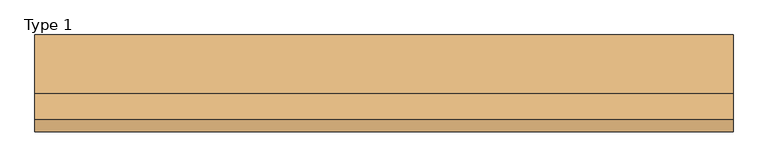
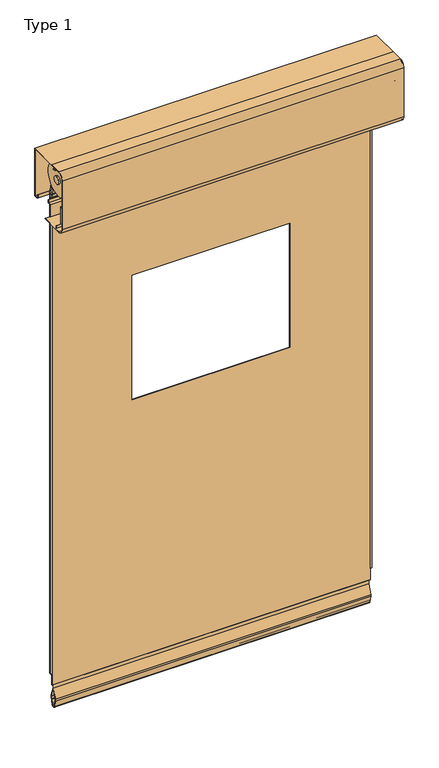
"""IFC4 building model written with IfcOpenShell, lengths in millimetres: door geometry, Type 1."""

from ifc_helpers import new_model, si_unit, point, frame, frame_2d, origin, place, context, project, spatial, polyline, circle_curve, trimmed, segment, composite_curve, outline, extrude, faceted_brep, source, transform, mapped, element, save
from ifc_brep_helpers import plane_surface, cylinder_surface, revolved_surface, advanced_brep


def type_1_fb73d0c5(model_context):
    return source(origin(), model_context, "Body", "SolidModel", [
        advanced_brep(
        [(647.7, -194.5, 2001.0), (647.7, -216.5, 2023.0), (647.7, -216.5, 2025.0), (647.7, -214.2, 2025.0), (647.7, -214.2, 2216.0), (647.7, -216.5, 2216.0), (647.7, -216.5, 2218.7), (647.7, -200.8030296, 2240.0), (647.7, -165.0, 2240.0), (647.7, -165.0, 2237.7), (647.7, -40.8, 2237.7), (647.7, -40.8, 2054.3), (647.7, -52.5, 2054.3), (647.7, -52.5, 2052.0), (647.7, -91.5, 2052.0), (647.7, -91.5, 2001.0), (647.7, -108.3, 2001.0), (647.7, -108.3, 2003.3), (647.7, -171.9, 2003.3), (647.7, -171.9, 2001.0), (647.7, -132.7, 2186.7), (647.7, -132.7, 2195.7), (647.7, -167.3410162, 2126.7), (647.7, -167.3410162, 2135.7), (647.7, -98.0589838, 2126.7), (647.7, -98.0589838, 2135.7), (650.0, -194.5, 2001.0), (650.0, -91.5, 2001.0), (650.0, -91.5, 2052.0), (650.0, -38.5, 2052.0), (650.0, -38.5, 2240.0), (650.0, -200.8030296, 2240.0), (650.0, -216.5, 2218.7), (650.0, -216.5, 2023.0), (650.0, -132.7, 2195.7), (650.0, -132.7, 2186.7), (650.0, -167.3410162, 2135.7), (650.0, -167.3410162, 2126.7), (650.0, -98.0589838, 2135.7), (650.0, -98.0589838, 2126.7), (629.7, -171.9, 2001.0), (629.7, -108.3, 2001.0), (629.7, -52.5, 2052.0), (629.7, -40.8, 2052.0), (584.0, -40.8, 2052.0), (584.0, -38.5, 2052.0), (584.0, -38.5, 2240.0), (616.7965975, -38.5, 2087.0750697), (623.2586937, -38.5, 2087.0737385), (623.2586937, -38.5, 2090.9721114), (616.7965975, -38.5, 2090.8962284), (616.7965975, -38.5, 2217.0561937), (623.2586937, -38.5, 2217.0548626), (623.2586937, -38.5, 2220.9532354), (616.7965975, -38.5, 2220.8773524), (584.0, -40.8, 2240.0), (629.7, -40.8, 2240.0), (629.7, -165.0, 2240.0), (629.7, -216.5, 2216.0), (629.7, -216.5, 2025.0), (629.7, -40.8, 2054.3), (629.7, -40.8, 2237.7), (623.2586937, -40.8, 2087.0737385), (616.7965975, -40.8, 2087.0750697), (616.7965975, -40.8, 2090.8962284), (623.2582481, -40.8, 2090.9721114), (623.2586937, -40.8, 2217.0548626), (616.7965975, -40.8, 2217.0561937), (616.7965975, -40.8, 2220.8773524), (623.2582481, -40.8, 2220.9532354), (629.7, -171.9, 2003.3), (629.7, -108.3, 2003.3), (629.7, -214.2, 2025.0), (629.7, -214.2, 2216.0), (629.7, -165.0, 2237.7), (629.7, -52.5, 2054.3)],
        [
            (0, 1, circle_curve(frame((647.7, -194.5, 2023.0), z_axis=(-1.0, 0.0, 0.0), x_axis=(0.0, 0.0, -1.0)), 22.0)),
            (1, 2),
            (2, 3),
            (3, 4),
            (4, 5),
            (5, 6),
            (6, 7, circle_curve(frame((647.7, -194.2, 2218.7), z_axis=(-1.0, 0.0, 0.0), x_axis=(0.0, 0.0, -1.0)), 22.3)),
            (7, 8),
            (8, 9),
            (9, 10),
            (10, 11),
            (11, 12),
            (12, 13),
            (13, 14),
            (14, 15),
            (15, 16),
            (16, 17),
            (17, 18),
            (18, 19),
            (19, 0),
            (20, 21, circle_curve(frame((647.7, -132.7, 2191.2), z_axis=(1.0, 0.0, 0.0), x_axis=(0.0, 0.0, -1.0)), 4.5)),
            (21, 20, circle_curve(frame((647.7, -132.7, 2191.2), z_axis=(1.0, 0.0, 0.0), x_axis=(0.0, 0.0, -1.0)), 4.5)),
            (22, 23, circle_curve(frame((647.7, -167.3410162, 2131.2), z_axis=(1.0, 0.0, 0.0), x_axis=(0.0, 0.0, -1.0)), 4.5)),
            (23, 22, circle_curve(frame((647.7, -167.3410162, 2131.2), z_axis=(1.0, 0.0, 0.0), x_axis=(0.0, 0.0, -1.0)), 4.5)),
            (24, 25, circle_curve(frame((647.7, -98.0589838, 2131.2), z_axis=(1.0, 0.0, 0.0), x_axis=(0.0, 0.0, -1.0)), 4.5)),
            (25, 24, circle_curve(frame((647.7, -98.0589838, 2131.2), z_axis=(1.0, 0.0, 0.0), x_axis=(0.0, 0.0, -1.0)), 4.5)),
            (26, 27),
            (27, 28),
            (28, 29),
            (29, 30),
            (30, 31),
            (31, 32, circle_curve(frame((650.0, -194.2, 2218.7), z_axis=(1.0, 0.0, 0.0), x_axis=(0.0, 0.0, -1.0)), 22.3)),
            (32, 33),
            (33, 26, circle_curve(frame((650.0, -194.5, 2023.0), z_axis=(1.0, 0.0, 0.0), x_axis=(0.0, 0.0, -1.0)), 22.0)),
            (34, 35, circle_curve(frame((650.0, -132.7, 2191.2), z_axis=(-1.0, 0.0, 0.0), x_axis=(0.0, 0.0, -1.0)), 4.5)),
            (35, 34, circle_curve(frame((650.0, -132.7, 2191.2), z_axis=(-1.0, 0.0, 0.0), x_axis=(0.0, 0.0, -1.0)), 4.5)),
            (36, 37, circle_curve(frame((650.0, -167.3410162, 2131.2), z_axis=(-1.0, 0.0, 0.0), x_axis=(0.0, 0.0, -1.0)), 4.5)),
            (37, 36, circle_curve(frame((650.0, -167.3410162, 2131.2), z_axis=(-1.0, 0.0, 0.0), x_axis=(0.0, 0.0, -1.0)), 4.5)),
            (38, 39, circle_curve(frame((650.0, -98.0589838, 2131.2), z_axis=(-1.0, 0.0, 0.0), x_axis=(0.0, 0.0, -1.0)), 4.5)),
            (39, 38, circle_curve(frame((650.0, -98.0589838, 2131.2), z_axis=(-1.0, 0.0, 0.0), x_axis=(0.0, 0.0, -1.0)), 4.5)),
            (26, 0),
            (19, 40),
            (40, 41),
            (41, 16),
            (15, 27),
            (14, 28),
            (13, 42),
            (42, 43),
            (43, 44),
            (44, 45),
            (45, 29),
            (45, 46),
            (46, 30),
            (47, 48, circle_curve(frame((620.0260861, -38.5, 2079.5035949), z_axis=(0.0, -1.0, 0.0), x_axis=(-0.3923351593881135, 0.0, 0.9198223321424109)), 8.2314535)),
            (48, 49),
            (49, 50, circle_curve(frame((620.0269772, -38.5, 2090.9721114), z_axis=(0.0, -1.0, 0.0), x_axis=(1.0, 0.0, 0.0)), 3.2312709)),
            (50, 47),
            (51, 52, circle_curve(frame((620.0260861, -38.5, 2209.484719), z_axis=(0.0, -1.0, 0.0), x_axis=(-0.3923351593880876, 0.0, 0.919822332142422)), 8.2314535)),
            (52, 53),
            (53, 54, circle_curve(frame((620.0269772, -38.5, 2220.9532354), z_axis=(0.0, -1.0, 0.0), x_axis=(1.0, 0.0, 0.0)), 3.2312709)),
            (54, 51),
            (7, 31),
            (46, 55),
            (55, 56),
            (56, 57),
            (57, 8),
            (32, 6),
            (5, 58),
            (58, 59),
            (59, 2),
            (1, 33),
            (44, 55),
            (43, 60),
            (60, 11),
            (10, 61),
            (61, 56),
            (62, 63, circle_curve(frame((620.0260861, -40.8, 2079.5035949), z_axis=(0.0, 1.0, 0.0), x_axis=(-0.3923351593881135, 0.0, 0.9198223321424109)), 8.2314535)),
            (63, 64),
            (64, 65, circle_curve(frame((620.0269772, -40.8, 2090.9721114), z_axis=(0.0, 1.0, 0.0), x_axis=(1.0, 0.0, 0.0)), 3.2312709)),
            (65, 62),
            (66, 67, circle_curve(frame((620.0260861, -40.8, 2209.484719), z_axis=(0.0, 1.0, 0.0), x_axis=(-0.3923351593880876, 0.0, 0.919822332142422)), 8.2314535)),
            (67, 68),
            (68, 69, circle_curve(frame((620.0269772, -40.8, 2220.9532354), z_axis=(0.0, 1.0, 0.0), x_axis=(1.0, 0.0, 0.0)), 3.2312709)),
            (69, 66),
            (40, 70),
            (70, 71),
            (71, 41),
            (71, 17),
            (70, 18),
            (72, 59),
            (58, 73),
            (73, 72),
            (73, 4),
            (3, 72),
            (74, 57),
            (61, 74),
            (74, 9),
            (47, 63),
            (62, 48),
            (50, 64),
            (49, 65),
            (51, 67),
            (66, 52),
            (54, 68),
            (53, 69),
            (42, 75),
            (75, 60),
            (75, 12),
            (20, 35),
            (34, 21),
            (22, 37),
            (36, 23),
            (24, 39),
            (38, 25),
        ],
        [
            plane_surface(frame((647.7, 266.3, 2001.0), z_axis=(-1.0, 0.0, 0.0), x_axis=(0.0, -1.0, 0.0))),
            plane_surface(frame((650.0, 266.3, 2001.0), z_axis=(1.0, 0.0, 0.0), x_axis=(0.0, 1.0, 0.0))),
            plane_surface(frame((650.0, -194.5, 2001.0), z_axis=(0.0, 0.0, -1.0), x_axis=(-1.0, 0.0, 0.0))),
            plane_surface(frame((650.0, -91.5, 2001.0), z_axis=(0.0, 1.0, 0.0), x_axis=(-1.0, 0.0, 0.0))),
            plane_surface(frame((650.0, -91.5, 2052.0), z_axis=(0.0, 0.0, -1.0), x_axis=(-1.0, 0.0, 0.0))),
            plane_surface(frame((650.0, -38.5, 2052.0), z_axis=(0.0, 1.0, 0.0), x_axis=(-1.0, 0.0, 0.0))),
            plane_surface(frame((650.0, -38.5, 2240.0), z_axis=(0.0, 0.0, 1.0), x_axis=(-1.0, 0.0, 0.0))),
            plane_surface(frame((650.0, -216.5, 2218.7), z_axis=(0.0, -1.0, 0.0), x_axis=(-1.0, 0.0, 0.0))),
            cylinder_surface(frame((647.7, -194.5, 2023.0), z_axis=(1.0, 0.0, 0.0), x_axis=(0.0, 0.0, -1.0)), 22.0),
            plane_surface(frame((584.0, -40.8, 3465.2630168), z_axis=(-1.0, 0.0, 0.0), x_axis=(0.0, 0.0, 1.0))),
            plane_surface(frame((650.0, -40.8, 2240.0), z_axis=(0.0, -1.0, 0.0), x_axis=(-1.0, 0.0, 0.0))),
            plane_surface(frame((629.7, -108.3, 2120.9011398), z_axis=(-1.0, 0.0, 0.0), x_axis=(0.0, 0.0, -1.0))),
            plane_surface(frame((647.7, -108.3, 2001.0), z_axis=(0.0, 1.0, 0.0), x_axis=(-1.0, 0.0, 0.0))),
            plane_surface(frame((647.7, -108.3, 2003.3), z_axis=(0.0, 0.0, 1.0), x_axis=(-1.0, 0.0, 0.0))),
            plane_surface(frame((647.7, -171.9, 2003.3), z_axis=(0.0, -1.0, 0.0), x_axis=(-1.0, 0.0, 0.0))),
            plane_surface(frame((629.7, -214.2, 2434.7159675), z_axis=(-1.0, 0.0, 0.0), x_axis=(0.0, 0.0, -1.0))),
            plane_surface(frame((647.7, -214.2, 2025.0), z_axis=(0.0, 1.0, 0.0), x_axis=(-1.0, 0.0, 0.0))),
            plane_surface(frame((647.7, -214.2, 2216.0), z_axis=(0.0, 0.0, 1.0), x_axis=(-1.0, 0.0, 0.0))),
            plane_surface(frame((647.7, -216.5, 2025.0), z_axis=(0.0, 0.0, -1.0), x_axis=(-1.0, 0.0, 0.0))),
            plane_surface(frame((629.7, -38.5, 3465.2630168), z_axis=(-1.0, 0.0, 0.0), x_axis=(0.0, 0.0, -1.0))),
            plane_surface(frame((647.7, -165.0, 2240.0), z_axis=(0.0, -1.0, 0.0), x_axis=(-1.0, 0.0, 0.0))),
            plane_surface(frame((647.7, -165.0, 2237.7), z_axis=(0.0, 0.0, -1.0), x_axis=(-1.0, 0.0, 0.0))),
            revolved_surface(polyline([(616.7965974790817, -38.5, 2087.075069655292), (616.7965974790817, -40.8, 2087.075069655292)]), (620.0260861, -40.8, 2079.5035949), (0.0, 1.0, 0.0)),
            plane_surface(frame((616.7965975, -38.5, 2087.0750697), z_axis=(1.0, 0.0, 0.0), x_axis=(0.0, -1.0, 0.0))),
            revolved_surface(polyline([(623.2582481000001, -38.5, 2090.9721114), (623.2582481000001, -40.8, 2090.9721114)]), (620.0269772, -40.8, 2090.9721114), (0.0, 1.0, 0.0)),
            plane_surface(frame((623.2586937, -38.5, 2090.9721114), z_axis=(-1.0, 0.0, 0.0), x_axis=(0.0, -1.0, 0.0))),
            revolved_surface(polyline([(616.7965974790819, -38.5, 2217.056193755292), (616.7965974790819, -40.8, 2217.056193755292)]), (620.0260861, -38.5, 2209.484719), (0.0, 1.0000000000000002, 0.0)),
            plane_surface(frame((616.7965975, -38.5, 2217.0561937), z_axis=(1.0, 0.0, 0.0), x_axis=(0.0, -1.0, 0.0))),
            revolved_surface(polyline([(623.2582481000001, -38.5, 2220.9532354), (623.2582481000001, -40.8, 2220.9532354)]), (620.0269772, -38.5, 2220.9532354), (0.0, 1.0, 0.0)),
            plane_surface(frame((623.2586937, -38.5, 2220.9532354), z_axis=(-1.0, 0.0, 0.0), x_axis=(0.0, -1.0, 0.0))),
            plane_surface(frame((629.7, -38.5, 3219.2), z_axis=(-1.0, 0.0, 0.0), x_axis=(0.0, 0.0, -1.0))),
            plane_surface(frame((647.7, -38.5, 2054.3), z_axis=(0.0, 0.0, 1.0), x_axis=(-1.0, 0.0, 0.0))),
            plane_surface(frame((647.7, -52.5, 2054.3), z_axis=(0.0, -1.0, 0.0), x_axis=(-1.0, 0.0, 0.0))),
            revolved_surface(polyline([(647.7, -132.7, 2186.7), (650.0, -132.7, 2186.7)]), (650.0, -132.7, 2191.2), (-1.0, 0.0, 0.0)),
            revolved_surface(polyline([(647.7, -167.3410162, 2126.7), (650.0, -167.3410162, 2126.7)]), (650.0, -167.3410162, 2131.2), (-1.0, 0.0, 0.0)),
            revolved_surface(polyline([(647.7, -98.0589838, 2126.7), (650.0, -98.0589838, 2126.7)]), (650.0, -98.0589838, 2131.2), (-1.0, 0.0, 0.0)),
            cylinder_surface(frame((647.7, -194.2, 2218.7), z_axis=(1.0, 0.0, 0.0), x_axis=(0.0, 0.0, -1.0)), 22.3),
        ],
        [
            (0, [[1, 2, 3, 4, 5, 6, 7, 8, 9, 10, 11, 12, 13, 14, 15, 16, 17, 18, 19, 20], [21, 22], [23, 24], [25, 26]]),
            (1, [[27, 28, 29, 30, 31, 32, 33, 34], [35, 36], [37, 38], [39, 40]]),
            (2, [[-27, 41, -20, 42, 43, 44, -16, 45]]),
            (3, [[-15, 46, -28, -45]]),
            (4, [[-46, -14, 47, 48, 49, 50, 51, -29]]),
            (5, [[-30, -51, 52, 53], [54, 55, 56, 57], [58, 59, 60, 61]]),
            (6, [[62, -31, -53, 63, 64, 65, 66, -8]]),
            (7, [[-33, 67, -6, 68, 69, 70, -2, 71]]),
            (8, [[-1, -41, -34, -71]]),
            (9, [[-63, -52, -50, 72]]),
            (10, [[-72, -49, 73, 74, -11, 75, 76, -64], [77, 78, 79, 80], [81, 82, 83, 84]]),
            (11, [[-43, 85, 86, 87]]),
            (12, [[-87, 88, -17, -44]]),
            (13, [[-86, 89, -18, -88]]),
            (14, [[-85, -42, -19, -89]]),
            (15, [[90, -69, 91, 92]]),
            (16, [[-92, 93, -4, 94]]),
            (17, [[-91, -68, -5, -93]]),
            (18, [[-90, -94, -3, -70]]),
            (19, [[95, -65, -76, 96]]),
            (20, [[-95, 97, -9, -66]]),
            (21, [[-97, -96, -75, -10]]),
            (22, [[98, -77, 99, -54]]),
            (23, [[-98, -57, 100, -78]]),
            (24, [[-100, -56, 101, -79]]),
            (25, [[-99, -80, -101, -55]]),
            (26, [[102, -81, 103, -58]]),
            (27, [[-102, -61, 104, -82]]),
            (28, [[-104, -60, 105, -83]]),
            (29, [[-103, -84, -105, -59]]),
            (30, [[106, 107, -73, -48]]),
            (31, [[108, -12, -74, -107]]),
            (32, [[-106, -47, -13, -108]]),
            (33, [[109, -35, 110, -21]]),
            (33, [[-109, -22, -110, -36]]),
            (34, [[111, -37, 112, -23]]),
            (34, [[-111, -24, -112, -38]]),
            (35, [[113, -39, 114, -25]]),
            (35, [[-113, -26, -114, -40]]),
            (36, [[-7, -67, -32, -62]]),
        ],
    ),
        extrude(outline(composite_curve([segment(trimmed(circle_curve(frame_2d((-132.7, 2161.2)), 14.9458539), [point((-132.7, 2146.2541461))], [point((-132.7, 2176.1458539))], False, "CARTESIAN"), True, "CONTINUOUS"), segment(trimmed(circle_curve(frame_2d((-132.7, 2161.2)), 14.9458539), [point((-132.7, 2176.1458539))], [point((-132.7, 2146.2541461))], False, "CARTESIAN"), True, "CONTINUOUS")], self_intersect=False)), frame((616.5, 0.0, 0.0), z_axis=(1.0, 0.0, 0.0), x_axis=(0.0, 1.0, 0.0)), (0.0, 0.0, 1.0), 6.2),
        extrude(outline(composite_curve([segment(trimmed(circle_curve(frame_2d((-132.7, 2161.2)), 15.0), [point((-132.7, 2146.2))], [point((-132.7, 2176.2))], False, "CARTESIAN"), True, "CONTINUOUS"), segment(trimmed(circle_curve(frame_2d((-132.7, 2161.2)), 15.0), [point((-132.7, 2176.2))], [point((-132.7, 2146.2))], False, "CARTESIAN"), True, "CONTINUOUS")], self_intersect=False)), frame((-622.7, 0.0, 0.0), z_axis=(1.0, 0.0, 0.0), x_axis=(0.0, 1.0, 0.0)), (0.0, 0.0, 1.0), 6.2),
        extrude(outline(composite_curve([segment(trimmed(circle_curve(frame_2d((-132.7, 2161.2)), 41.0), [point((-161.691378, 2190.191378))], [point((-92.8111239, 2170.6803776))], False, "CARTESIAN"), True, "CONTINUOUS"), segment(polyline([(-92.8111239, 2170.6803776), (-69.9110194, 2066.922707)]), True, "CONTINUOUS"), segment(trimmed(circle_curve(frame_2d((-95.3, 2061.3191665)), 26.0), [point((-69.9110194, 2066.922707))], [point((-69.3, 2061.3191665))], False, "CARTESIAN"), True, "CONTINUOUS"), segment(polyline([(-69.3, 2061.3191665), (-69.3, 2051.0), (-75.3, 2051.0), (-75.3, 2061.3191665)]), True, "CONTINUOUS"), segment(trimmed(circle_curve(frame_2d((-95.3, 2061.3191665)), 20.0), [point((-75.3, 2061.3191665))], [point((-75.7700149, 2065.6295823))], True, "CARTESIAN"), True, "CONTINUOUS"), segment(polyline([(-75.7700149, 2065.6295823), (-98.6592876, 2169.3381754)]), True, "CONTINUOUS"), segment(trimmed(circle_curve(frame_2d((-132.7, 2161.2)), 35.0), [point((-98.6592876, 2169.3381754))], [point((-157.4487373, 2185.9487373))], True, "CARTESIAN"), True, "CONTINUOUS"), segment(polyline([(-157.4487373, 2185.9487373), (-161.691378, 2190.191378)]), True, "CONTINUOUS")], self_intersect=False)), frame((605.5, 0.0, 0.0), z_axis=(1.0, 0.0, 0.0), x_axis=(0.0, 1.0, 0.0)), (0.0, 0.0, 1.0), 6.0),
        extrude(outline(composite_curve([segment(trimmed(circle_curve(frame_2d((-132.7, 2161.2)), 35.0), [point((-98.6592876, 2169.3381754))], [point((-157.4487373, 2185.9487373))], True, "CARTESIAN"), True, "CONTINUOUS"), segment(polyline([(-157.4487373, 2185.9487373), (-161.691378, 2190.191378)]), True, "CONTINUOUS"), segment(trimmed(circle_curve(frame_2d((-132.7, 2161.2)), 41.0), [point((-161.691378, 2190.191378))], [point((-92.8111239, 2170.6803776))], False, "CARTESIAN"), True, "CONTINUOUS"), segment(polyline([(-92.8111239, 2170.6803776), (-69.9110194, 2066.922707)]), True, "CONTINUOUS"), segment(trimmed(circle_curve(frame_2d((-95.3, 2061.3191665)), 26.0), [point((-69.9110194, 2066.922707))], [point((-69.3, 2061.3191665))], False, "CARTESIAN"), True, "CONTINUOUS"), segment(polyline([(-69.3, 2061.3191665), (-69.3, 2051.0), (-75.3, 2051.0), (-75.3, 2061.3191665)]), True, "CONTINUOUS"), segment(trimmed(circle_curve(frame_2d((-95.3, 2061.3191665)), 20.0), [point((-75.3, 2061.3191665))], [point((-75.7700149, 2065.6295823))], True, "CARTESIAN"), True, "CONTINUOUS"), segment(polyline([(-75.7700149, 2065.6295823), (-98.6592876, 2169.3381754)]), True, "CONTINUOUS")], self_intersect=False)), frame((-611.5, 0.0, 0.0), z_axis=(1.0, 0.0, 0.0), x_axis=(0.0, 1.0, 0.0)), (0.0, 0.0, 1.0), 6.0),
        advanced_brep(
        [(605.5, -96.714104, 2169.803214), (605.5, -73.8170047, 2066.0606967), (605.5, -73.3, 2061.3191665), (605.5, -73.3, 2051.0), (605.5, -71.3, 2051.0), (605.5, -71.3, 2061.3191665), (605.5, -71.8640502, 2066.4918116), (605.5, -94.7689205, 2170.2682526), (605.5, -160.2771645, 2188.7771645), (605.5, -158.8629509, 2187.3629509), (-605.5, -96.714104, 2169.803214), (-605.5, -158.8629509, 2187.3629509), (-605.5, -160.2771645, 2188.7771645), (-605.5, -94.7689205, 2170.2682526), (-605.5, -71.8639971, 2066.4918233), (-605.5, -71.3, 2061.3191665), (-605.5, -71.3, 2051.0), (-605.5, -73.3, 2051.0), (-605.5, -73.3, 2061.3191665), (-605.5, -73.8170312, 2066.0606909)],
        [
            (0, 1),
            (1, 2, circle_curve(frame((605.5, -95.3, 2061.3191665), z_axis=(-1.0, 0.0, 0.0), x_axis=(0.0, 0.0, 1.0)), 22.0)),
            (2, 3),
            (3, 4),
            (4, 5),
            (5, 6, circle_curve(frame((605.5, -95.3, 2061.3191665), z_axis=(1.0, 0.0, 0.0), x_axis=(0.0, 0.0, 1.0)), 24.0)),
            (6, 7),
            (7, 8, circle_curve(frame((605.5, -132.7, 2161.2), z_axis=(1.0, 0.0, 0.0), x_axis=(0.0, 0.0, 1.0)), 39.0)),
            (8, 9),
            (9, 0, circle_curve(frame((605.5, -132.7, 2161.2), z_axis=(-1.0, 0.0, 0.0), x_axis=(0.0, 0.0, 1.0)), 37.0)),
            (10, 11, circle_curve(frame((-605.5, -132.7, 2161.2), z_axis=(1.0, 0.0, 0.0), x_axis=(0.0, 0.0, 1.0)), 37.0)),
            (11, 12),
            (12, 13, circle_curve(frame((-605.5, -132.7, 2161.2), z_axis=(-1.0, 0.0, 0.0), x_axis=(0.0, 0.0, 1.0)), 39.0)),
            (13, 14),
            (14, 15, circle_curve(frame((-605.5, -95.3, 2061.3191665), z_axis=(-1.0, 0.0, 0.0), x_axis=(0.0, 0.0, 1.0)), 24.0)),
            (15, 16),
            (16, 17),
            (17, 18),
            (18, 19, circle_curve(frame((-605.5, -95.3, 2061.3191665), z_axis=(1.0, 0.0, 0.0), x_axis=(0.0, 0.0, 1.0)), 22.0)),
            (19, 10),
            (0, 10),
            (19, 1),
            (2, 18),
            (17, 3),
            (16, 4),
            (15, 5),
            (6, 14),
            (13, 7),
            (12, 8),
            (11, 9),
        ],
        [
            plane_surface(frame((605.5, -96.714104, 2169.803214), z_axis=(1.0, 0.0, 0.0), x_axis=(0.0, 0.21552383354340562, -0.9764985802215763))),
            plane_surface(frame((-605.5, -96.714104, 2169.803214), z_axis=(-1.0, 0.0, 0.0), x_axis=(0.0, -0.21552383354340562, 0.9764985802215763))),
            plane_surface(frame((605.5, -96.714104, 2169.803214), z_axis=(0.0, -0.9764985802215763, -0.21552383354340562), x_axis=(-1.0, 0.0, 0.0))),
            plane_surface(frame((605.5, -73.3, 2061.3191665), z_axis=(0.0, -1.0, 0.0), x_axis=(-1.0, 0.0, 0.0))),
            plane_surface(frame((605.5, -73.3, 2051.0), z_axis=(0.0, 0.0, -1.0), x_axis=(-1.0, 0.0, 0.0))),
            plane_surface(frame((605.5, -71.3, 2051.0), z_axis=(0.0, 1.0, 0.0), x_axis=(-1.0, 0.0, 0.0))),
            plane_surface(frame((605.5, -71.8639971, 2066.4918233), z_axis=(0.0, 0.9764979083313272, 0.2155268777311612), x_axis=(-1.0, 0.0, 0.0))),
            cylinder_surface(frame((-605.5, -132.7, 2161.2), z_axis=(1.0, 0.0, 0.0), x_axis=(0.0, 0.0, 1.0)), 39.0),
            plane_surface(frame((605.5, -160.2771645, 2188.7771645), z_axis=(0.0, -0.7071067811864714, -0.7071067811866236), x_axis=(-1.0, 0.0, 0.0))),
            revolved_surface(polyline([(-605.5, -132.7, 2198.2), (605.5, -132.7, 2198.2)]), (-605.5, -132.7, 2161.2), (-1.0, 0.0, 0.0)),
            revolved_surface(polyline([(-605.5, -95.3, 2083.3191665), (605.5, -95.3, 2083.3191665)]), (-605.5, -95.3, 2061.3191665), (-1.0, 0.0, 0.0)),
            cylinder_surface(frame((-605.5, -95.3, 2061.3191665), z_axis=(1.0, 0.0, 0.0), x_axis=(0.0, 0.0, 1.0)), 24.0),
        ],
        [
            (0, [[1, 2, 3, 4, 5, 6, 7, 8, 9, 10]]),
            (1, [[11, 12, 13, 14, 15, 16, 17, 18, 19, 20]]),
            (2, [[-1, 21, -20, 22]]),
            (3, [[-3, 23, -18, 24]]),
            (4, [[-4, -24, -17, 25]]),
            (5, [[-5, -25, -16, 26]]),
            (6, [[-7, 27, -14, 28]]),
            (7, [[-8, -28, -13, 29]]),
            (8, [[-9, -29, -12, 30]]),
            (9, [[-10, -30, -11, -21]]),
            (10, [[-2, -22, -19, -23]]),
            (11, [[-6, -26, -15, -27]]),
        ],
    ),
        advanced_brep(
        [(605.5, -132.7, 2126.2), (605.5, -132.7, 2196.2), (611.5, -132.7, 2126.2), (611.5, -132.7, 2196.2), (611.5, -132.7, 2096.2), (611.5, -132.7, 2226.2), (616.5, -132.7, 2096.2), (616.5, -132.7, 2226.2)],
        [
            (0, 1, circle_curve(frame((605.5, -132.7, 2161.2), z_axis=(-1.0, 0.0, 0.0), x_axis=(0.0, 0.0, 1.0)), 35.0)),
            (1, 0, circle_curve(frame((605.5, -132.7, 2161.2), z_axis=(-1.0, 0.0, 0.0), x_axis=(0.0, 0.0, 1.0)), 35.0)),
            (0, 2),
            (2, 3, circle_curve(frame((611.5, -132.7, 2161.2), z_axis=(-1.0, 0.0, 0.0), x_axis=(0.0, 0.0, 1.0)), 35.0)),
            (3, 1),
            (3, 2, circle_curve(frame((611.5, -132.7, 2161.2), z_axis=(-1.0, 0.0, 0.0), x_axis=(0.0, 0.0, 1.0)), 35.0)),
            (4, 5, circle_curve(frame((611.5, -132.7, 2161.2), z_axis=(-1.0, 0.0, 0.0), x_axis=(0.0, 0.0, 1.0)), 65.0)),
            (5, 4, circle_curve(frame((611.5, -132.7, 2161.2), z_axis=(-1.0, 0.0, 0.0), x_axis=(0.0, 0.0, 1.0)), 65.0)),
            (6, 7, circle_curve(frame((616.5, -132.7, 2161.2), z_axis=(1.0, 0.0, 0.0), x_axis=(0.0, 0.0, 1.0)), 65.0)),
            (7, 6, circle_curve(frame((616.5, -132.7, 2161.2), z_axis=(1.0, 0.0, 0.0), x_axis=(0.0, 0.0, 1.0)), 65.0)),
            (4, 6),
            (7, 5),
        ],
        [
            plane_surface(frame((605.5, -132.7, 2196.2), z_axis=(-1.0, 0.0, 0.0), x_axis=(0.0, 1.0, 0.0))),
            cylinder_surface(frame((611.5, -132.7, 2161.2), z_axis=(-1.0, 0.0, 0.0), x_axis=(0.0, 0.0, 1.0)), 35.0),
            plane_surface(frame((611.5, -132.7, 2226.2), z_axis=(-1.0, 0.0, 0.0), x_axis=(0.0, 1.0, 0.0))),
            plane_surface(frame((616.5, -132.7, 2226.2), z_axis=(1.0, 0.0, 0.0), x_axis=(0.0, -1.0, 0.0))),
            cylinder_surface(frame((616.5, -132.7, 2161.2), z_axis=(-1.0, 0.0, 0.0), x_axis=(0.0, 0.0, 1.0)), 65.0),
        ],
        [
            (0, [[1, 2]]),
            (1, [[-1, 3, 4, 5]]),
            (1, [[-2, -5, 6, -3]]),
            (2, [[7, 8], [-4, -6]]),
            (3, [[9, 10]]),
            (4, [[-7, 11, -10, 12]]),
            (4, [[-8, -12, -9, -11]]),
        ],
    ),
        advanced_brep(
        [(-605.5, -132.7, 2126.2), (-605.5, -132.7, 2196.2), (-611.5, -132.7, 2126.2), (-611.5, -132.7, 2196.2), (-611.5, -132.7, 2096.2), (-611.5, -132.7, 2226.2), (-616.5, -132.7, 2096.2), (-616.5, -132.7, 2226.2)],
        [
            (0, 1, circle_curve(frame((-605.5, -132.7, 2161.2), z_axis=(1.0, 0.0, 0.0), x_axis=(0.0, 0.0, 1.0)), 35.0)),
            (1, 0, circle_curve(frame((-605.5, -132.7, 2161.2), z_axis=(1.0, 0.0, 0.0), x_axis=(0.0, 0.0, 1.0)), 35.0)),
            (0, 2),
            (2, 3, circle_curve(frame((-611.5, -132.7, 2161.2), z_axis=(1.0, 0.0, 0.0), x_axis=(0.0, 0.0, 1.0)), 35.0)),
            (3, 1),
            (3, 2, circle_curve(frame((-611.5, -132.7, 2161.2), z_axis=(1.0, 0.0, 0.0), x_axis=(0.0, 0.0, 1.0)), 35.0)),
            (4, 5, circle_curve(frame((-611.5, -132.7, 2161.2), z_axis=(1.0, 0.0, 0.0), x_axis=(0.0, 0.0, 1.0)), 65.0)),
            (5, 4, circle_curve(frame((-611.5, -132.7, 2161.2), z_axis=(1.0, 0.0, 0.0), x_axis=(0.0, 0.0, 1.0)), 65.0)),
            (6, 7, circle_curve(frame((-616.5, -132.7, 2161.2), z_axis=(-1.0, 0.0, 0.0), x_axis=(0.0, 0.0, 1.0)), 65.0)),
            (7, 6, circle_curve(frame((-616.5, -132.7, 2161.2), z_axis=(-1.0, 0.0, 0.0), x_axis=(0.0, 0.0, 1.0)), 65.0)),
            (4, 6),
            (7, 5),
        ],
        [
            plane_surface(frame((-605.5, -132.7, 2196.2), z_axis=(1.0, 0.0, 0.0), x_axis=(0.0, -1.0, 0.0))),
            cylinder_surface(frame((-611.5, -132.7, 2161.2), z_axis=(1.0, 0.0, 0.0), x_axis=(0.0, 0.0, 1.0)), 35.0),
            plane_surface(frame((-611.5, -132.7, 2226.2), z_axis=(1.0, 0.0, 0.0), x_axis=(0.0, -1.0, 0.0))),
            plane_surface(frame((-616.5, -132.7, 2226.2), z_axis=(-1.0, 0.0, 0.0), x_axis=(0.0, 1.0, 0.0))),
            cylinder_surface(frame((-616.5, -132.7, 2161.2), z_axis=(1.0, 0.0, 0.0), x_axis=(0.0, 0.0, 1.0)), 65.0),
        ],
        [
            (0, [[1, 2]]),
            (1, [[-1, 3, 4, 5]]),
            (1, [[-2, -5, 6, -3]]),
            (2, [[7, 8], [-4, -6]]),
            (3, [[9, 10]]),
            (4, [[-7, 11, -10, 12]]),
            (4, [[-8, -12, -9, -11]]),
        ],
    ),
        extrude(outline(composite_curve([segment(trimmed(circle_curve(frame_2d((-132.7, 2161.2)), 35.0), [point((-132.7, 2126.2))], [point((-132.7, 2196.2))], False, "CARTESIAN"), True, "CONTINUOUS"), segment(trimmed(circle_curve(frame_2d((-132.7, 2161.2)), 35.0), [point((-132.7, 2196.2))], [point((-132.7, 2126.2))], False, "CARTESIAN"), True, "CONTINUOUS")], self_intersect=False)), frame((-605.5, 0.0, 0.0), z_axis=(1.0, 0.0, 0.0), x_axis=(0.0, 1.0, 0.0)), (0.0, 0.0, 1.0), 1211.0),
        faceted_brep([(629.7, -172.9, 2079.0), (629.7, -172.9, 2001.0), (629.7, -171.9, 2001.0), (629.7, -171.9, 2080.0), (629.7, -215.5, 2080.0), (629.7, -215.5, 2091.0), (629.7, -216.5, 2091.0), (629.7, -216.5, 2079.0), (629.7, -106.1, 2001.0), (629.7, -106.1, 2048.0), (629.7, -91.5, 2048.0), (629.7, -91.5, 2060.5), (629.7, -92.5, 2060.5), (629.7, -92.5, 2049.0), (629.7, -107.1, 2049.0), (629.7, -107.1, 2001.0), (-629.7, -172.9, 2079.0), (-629.7, -216.5, 2079.0), (-629.7, -216.5, 2091.0), (-629.7, -215.5, 2091.0), (-629.7, -215.5, 2080.0), (-629.7, -171.9, 2080.0), (-629.7, -171.9, 2001.0), (-629.7, -172.9, 2001.0), (-629.7, -107.1, 2001.0), (-629.7, -107.1, 2049.0), (-629.7, -92.5, 2049.0), (-629.7, -92.5, 2060.5), (-629.7, -91.5, 2060.5), (-629.7, -91.5, 2048.0), (-629.7, -106.1, 2048.0), (-629.7, -106.1, 2001.0), (-650.0, -172.9, 2001.0), (-650.0, -172.9, 2000.0), (650.0, -172.9, 2000.0), (650.0, -172.9, 2001.0), (650.0, -106.1, 2001.0), (650.0, -106.1, 2000.0), (-650.0, -106.1, 2000.0), (-650.0, -106.1, 2001.0)], [[[0, 1, 2, 3, 4, 5, 6, 7]], [[8, 9, 10, 11, 12, 13, 14, 15]], [[16, 17, 18, 19, 20, 21, 22, 23]], [[24, 25, 26, 27, 28, 29, 30, 31]], [[0, 7, 17, 16]], [[7, 6, 18, 17]], [[6, 5, 19, 18]], [[5, 4, 20, 19]], [[4, 3, 21, 20]], [[3, 2, 22, 21]], [[1, 0, 16, 23, 32, 33, 34, 35]], [[15, 14, 25, 24]], [[14, 13, 26, 25]], [[13, 12, 27, 26]], [[12, 11, 28, 27]], [[11, 10, 29, 28]], [[10, 9, 30, 29]], [[9, 8, 36, 37, 38, 39, 31, 30]], [[34, 37, 36, 35]], [[33, 32, 39, 38]], [[35, 36, 8, 15, 24, 31, 39, 32, 23, 22, 2, 1]], [[37, 34, 33, 38]]]),
        advanced_brep(
        [(650.0, -194.2, 2242.0), (650.0, -217.5, 2218.7), (650.0, -217.5, 2023.0), (650.0, -194.5, 2000.0), (650.0, -172.9, 2000.0), (650.0, -172.9, 2001.0), (650.0, -194.5, 2001.0), (650.0, -216.5, 2023.0), (650.0, -216.5, 2218.7), (650.0, -194.2, 2241.0), (650.0, -147.5, 2241.0), (650.0, -147.5, 2242.0), (-650.0, -194.2, 2242.0), (-650.0, -147.5, 2242.0), (-650.0, -147.5, 2241.0), (-650.0, -194.2, 2241.0), (-650.0, -216.5, 2218.7), (-650.0, -216.5, 2023.0), (-650.0, -194.5, 2001.0), (-650.0, -172.9, 2001.0), (-650.0, -172.9, 2000.0), (-650.0, -194.5, 2000.0), (-650.0, -217.5, 2023.0), (-650.0, -217.5, 2218.7), (647.7, -172.9, 2001.0), (647.7, -173.9, 2001.0), (-647.7, -173.9, 2001.0), (-647.7, -172.9, 2001.0), (-647.7, -172.9, 2011.0), (647.7, -172.9, 2011.0), (647.7, -173.9, 2011.0), (-647.7, -173.9, 2011.0)],
        [
            (0, 1, circle_curve(frame((650.0, -194.2, 2218.7), z_axis=(1.0, 0.0, 0.0), x_axis=(0.0, 0.0, -1.0)), 23.3)),
            (1, 2),
            (2, 3, circle_curve(frame((650.0, -194.5, 2023.0), z_axis=(1.0, 0.0, 0.0), x_axis=(0.0, 0.0, -1.0)), 23.0)),
            (3, 4),
            (4, 5),
            (5, 6),
            (6, 7, circle_curve(frame((650.0, -194.5, 2023.0), z_axis=(-1.0, 0.0, 0.0), x_axis=(0.0, 0.0, -1.0)), 22.0)),
            (7, 8),
            (8, 9, circle_curve(frame((650.0, -194.2, 2218.7), z_axis=(-1.0, 0.0, 0.0), x_axis=(0.0, 0.0, -1.0)), 22.3)),
            (9, 10),
            (10, 11),
            (11, 0),
            (12, 13),
            (13, 14),
            (14, 15),
            (15, 16, circle_curve(frame((-650.0, -194.2, 2218.7), z_axis=(1.0, 0.0, 0.0), x_axis=(0.0, 0.0, -1.0)), 22.3)),
            (16, 17),
            (17, 18, circle_curve(frame((-650.0, -194.5, 2023.0), z_axis=(1.0, 0.0, 0.0), x_axis=(0.0, 0.0, -1.0)), 22.0)),
            (18, 19),
            (19, 20),
            (20, 21),
            (21, 22, circle_curve(frame((-650.0, -194.5, 2023.0), z_axis=(-1.0, 0.0, 0.0), x_axis=(0.0, 0.0, -1.0)), 23.0)),
            (22, 23),
            (23, 12, circle_curve(frame((-650.0, -194.2, 2218.7), z_axis=(-1.0, 0.0, 0.0), x_axis=(0.0, 0.0, -1.0)), 23.3)),
            (11, 13),
            (12, 0),
            (10, 14),
            (9, 15),
            (8, 16),
            (7, 17),
            (6, 18),
            (5, 24),
            (24, 25),
            (25, 26),
            (26, 27),
            (27, 19),
            (3, 21),
            (20, 4),
            (2, 22),
            (1, 23),
            (27, 28),
            (28, 29),
            (29, 24),
            (29, 30),
            (30, 25),
            (26, 31),
            (31, 28),
            (30, 31),
        ],
        [
            plane_surface(frame((650.0, -147.5, 2242.0), z_axis=(1.0, 0.0, 0.0), x_axis=(0.0, -1.0, 0.0))),
            plane_surface(frame((-650.0, -147.5, 2242.0), z_axis=(-1.0, 0.0, 0.0), x_axis=(0.0, 1.0, 0.0))),
            plane_surface(frame((-650.0, -194.2, 2242.0), z_axis=(0.0, 0.0, 1.0), x_axis=(1.0, 0.0, 0.0))),
            plane_surface(frame((-650.0, -147.5, 2242.0), z_axis=(0.0, 1.0, 0.0), x_axis=(1.0, 0.0, 0.0))),
            plane_surface(frame((-650.0, -147.5, 2241.0), z_axis=(0.0, 0.0, -1.0), x_axis=(1.0, 0.0, 0.0))),
            revolved_surface(polyline([(650.0, -194.2, 2196.3999999999996), (-650.0, -194.2, 2196.3999999999996)]), (650.0, -194.2, 2218.7), (1.0, 0.0, 0.0)),
            plane_surface(frame((-650.0, -216.5, 2218.7), z_axis=(0.0, 1.0, 0.0), x_axis=(1.0, 0.0, 0.0))),
            revolved_surface(polyline([(650.0, -194.5, 2001.0), (-650.0, -194.5, 2001.0)]), (650.0, -194.5, 2023.0), (1.0, 0.0, 0.0)),
            plane_surface(frame((-650.0, -194.5, 2001.0), z_axis=(0.0, 0.0, 1.0), x_axis=(1.0, 0.0, 0.0))),
            plane_surface(frame((-650.0, -172.9, 2000.0), z_axis=(0.0, 0.0, -1.0), x_axis=(1.0, 0.0, 0.0))),
            cylinder_surface(frame((650.0, -194.5, 2023.0), z_axis=(-1.0, 0.0, 0.0), x_axis=(0.0, 0.0, -1.0)), 23.0),
            plane_surface(frame((-650.0, -217.5, 2023.0), z_axis=(0.0, -1.0, 0.0), x_axis=(1.0, 0.0, 0.0))),
            cylinder_surface(frame((650.0, -194.2, 2218.7), z_axis=(-1.0, 0.0, 0.0), x_axis=(0.0, 0.0, -1.0)), 23.3),
            plane_surface(frame((-650.0, -172.9, 2001.0), z_axis=(0.0, 1.0, 0.0), x_axis=(1.0, 0.0, 0.0))),
            plane_surface(frame((647.7, -172.9, 2001.0), z_axis=(1.0, 0.0, 0.0), x_axis=(0.0, 1.0, 0.0))),
            plane_surface(frame((-647.7, -172.9, 2001.0), z_axis=(-1.0, 0.0, 0.0), x_axis=(0.0, -1.0, 0.0))),
            plane_surface(frame((-647.7, -173.9, 2001.0), z_axis=(0.0, -1.0, 0.0), x_axis=(1.0, 0.0, 0.0))),
            plane_surface(frame((-647.7, -173.9, 2011.0), z_axis=(0.0, 0.0, 1.0), x_axis=(1.0, 0.0, 0.0))),
        ],
        [
            (0, [[1, 2, 3, 4, 5, 6, 7, 8, 9, 10, 11, 12]]),
            (1, [[13, 14, 15, 16, 17, 18, 19, 20, 21, 22, 23, 24]]),
            (2, [[-12, 25, -13, 26]]),
            (3, [[-11, 27, -14, -25]]),
            (4, [[-10, 28, -15, -27]]),
            (5, [[-9, 29, -16, -28]]),
            (6, [[-8, 30, -17, -29]]),
            (7, [[-7, 31, -18, -30]]),
            (8, [[-6, 32, 33, 34, 35, 36, -19, -31]]),
            (9, [[-4, 37, -21, 38]]),
            (10, [[-3, 39, -22, -37]]),
            (11, [[-2, 40, -23, -39]]),
            (12, [[-1, -26, -24, -40]]),
            (13, [[-5, -38, -20, -36, 41, 42, 43, -32]]),
            (14, [[-43, 44, 45, -33]]),
            (15, [[46, 47, -41, -35]]),
            (16, [[-45, 48, -46, -34]]),
            (17, [[-44, -42, -47, -48]]),
        ],
    ),
        faceted_brep([(647.7, -167.5, 2228.5), (647.7, -155.0, 2228.5), (647.7, -155.0, 2229.5), (647.7, -166.5, 2229.5), (647.7, -166.5, 2240.0), (647.7, -167.5, 2240.0), (-647.7, -167.5, 2228.5), (-647.7, -167.5, 2240.0), (-647.7, -166.5, 2240.0), (-647.7, -166.5, 2229.5), (-647.7, -155.0, 2229.5), (-647.7, -155.0, 2228.5), (650.0, -167.5, 2240.0), (650.0, -167.5, 2241.0), (-650.0, -167.5, 2241.0), (-650.0, -167.5, 2240.0), (650.0, -38.5, 2240.0), (650.0, -38.5, 2052.0), (650.0, -54.5, 2052.0), (650.0, -54.5, 2051.0), (650.0, -37.5, 2051.0), (650.0, -37.5, 2241.0), (-650.0, -37.5, 2241.0), (-650.0, -37.5, 2051.0), (-650.0, -54.5, 2051.0), (-650.0, -54.5, 2052.0), (-650.0, -38.5, 2052.0), (-650.0, -38.5, 2240.0), (647.7, -54.5, 2052.0), (647.7, -54.5, 2063.5), (-647.7, -54.5, 2063.5), (-647.7, -54.5, 2052.0), (-647.7, -53.5, 2052.0), (647.7, -53.5, 2052.0), (647.7, -53.5, 2063.5), (-647.7, -53.5, 2063.5)], [[[0, 1, 2, 3, 4, 5]], [[6, 7, 8, 9, 10, 11]], [[0, 5, 12, 13, 14, 15, 7, 6]], [[4, 3, 9, 8]], [[3, 2, 10, 9]], [[2, 1, 11, 10]], [[1, 0, 6, 11]], [[13, 12, 16, 17, 18, 19, 20, 21]], [[14, 22, 23, 24, 25, 26, 27, 15]], [[13, 21, 22, 14]], [[21, 20, 23, 22]], [[20, 19, 24, 23]], [[19, 18, 28, 29, 30, 31, 25, 24]], [[18, 17, 26, 25, 31, 32, 33, 28]], [[17, 16, 27, 26]], [[16, 12, 5, 4, 8, 7, 15, 27]], [[33, 34, 29, 28]], [[31, 30, 35, 32]], [[29, 34, 35, 30]], [[34, 33, 32, 35]]]),
        extrude(outline(composite_curve([segment(polyline([(-71.3, 75.7990795), (-57.9058086, 39.995936)]), True, "CONTINUOUS"), segment(trimmed(circle_curve(frame_2d((-72.0994395, 35.9247193)), 14.7659732), [point((-57.9058086, 39.995936))], [point((-57.8375775, 32.0993755))], False, "CARTESIAN"), True, "CONTINUOUS"), segment(polyline([(-57.8375775, 32.0993755), (-65.0474152, 5.5894992)]), True, "CONTINUOUS"), segment(trimmed(circle_curve(frame_2d((-72.3, 7.5)), 7.5), [point((-65.0474152, 5.5894992))], [point((-79.5525848, 5.5894992))], False, "CARTESIAN"), True, "CONTINUOUS"), segment(polyline([(-79.5525848, 5.5894992), (-86.8658656, 32.2159651)]), True, "CONTINUOUS"), segment(trimmed(circle_curve(frame_2d((-72.1000109, 36.0363361)), 15.252072), [point((-86.8658656, 32.2159651))], [point((-86.8566232, 39.8922528))], False, "CARTESIAN"), True, "CONTINUOUS"), segment(polyline([(-86.8566232, 39.8922528), (-73.3, 75.8478192), (-73.3, 90.0), (-71.3, 90.0), (-71.3, 75.7990795)]), True, "CONTINUOUS")], self_intersect=False), holes=[composite_curve([segment(polyline([(-58.4092205, 40.0025665), (-71.5, 74.9280565), (-61.5418549, 38.8396303)]), True, "CONTINUOUS"), segment(trimmed(circle_curve(frame_2d((-70.8741842, 35.9574128)), 9.7672692), [point((-61.5418549, 38.8396303))], [point((-61.1232416, 35.3929079))], False, "CARTESIAN"), True, "CONTINUOUS"), segment(trimmed(circle_curve(frame_2d((-132.1330034, 39.6834004)), 71.1392619), [point((-61.1232416, 35.3929079))], [point((-62.3597793, 25.8092594))], False, "CARTESIAN"), True, "CONTINUOUS"), segment(trimmed(circle_curve(frame_2d((-72.101805, 28.0677842)), 10.0004), [point((-62.3597793, 25.8092594))], [point((-62.7596846, 24.4994813))], False, "CARTESIAN"), True, "CONTINUOUS"), segment(polyline([(-62.7596846, 24.4994813), (-66.6815702, 11.7310346)]), True, "CONTINUOUS"), segment(trimmed(circle_curve(frame_2d((-72.1, 13.8)), 5.8), [point((-66.6815702, 11.7310346))], [point((-77.5184298, 11.7310346))], False, "CARTESIAN"), True, "CONTINUOUS"), segment(polyline([(-77.5184298, 11.7310346), (-81.4312059, 21.9782345)]), True, "CONTINUOUS"), segment(trimmed(circle_curve(frame_2d((-72.0890855, 25.5454163)), 10.0), [point((-81.4312059, 21.9782345))], [point((-81.8396891, 23.326018))], False, "CARTESIAN"), True, "CONTINUOUS"), segment(trimmed(circle_curve(frame_2d((-22.6492861, 38.761828)), 61.1699929), [point((-81.8396891, 23.326018))], [point((-83.6997322, 34.9393855))], False, "CARTESIAN"), True, "CONTINUOUS"), segment(trimmed(circle_curve(frame_2d((-73.4712246, 35.6212942)), 10.2512131), [point((-83.6997322, 34.9393855))], [point((-83.3592569, 38.3257694))], False, "CARTESIAN"), True, "CONTINUOUS"), segment(polyline([(-83.3592569, 38.3257694), (-73.1, 74.9320019), (-86.3535764, 39.8986694)]), True, "CONTINUOUS"), segment(trimmed(circle_curve(frame_2d((-71.5982202, 36.0380336)), 15.2520506), [point((-86.3535764, 39.8986694))], [point((-86.3619918, 32.2097059))], True, "CARTESIAN"), True, "CONTINUOUS"), segment(polyline([(-86.3619918, 32.2097059), (-79.0690792, 5.7168659)]), True, "CONTINUOUS"), segment(trimmed(circle_curve(frame_2d((-72.3, 7.5)), 7.0), [point((-79.0690792, 5.7168659))], [point((-65.5309208, 5.7168659))], True, "CARTESIAN"), True, "CONTINUOUS"), segment(polyline([(-65.5309208, 5.7168659), (-58.3415969, 32.0929252)]), True, "CONTINUOUS"), segment(trimmed(circle_curve(frame_2d((-72.6013758, 35.9261206)), 14.7659975), [point((-58.3415969, 32.0929252))], [point((-58.4092205, 40.0025665))], True, "CARTESIAN"), True, "CONTINUOUS")], self_intersect=False), composite_curve([segment(polyline([(-62.3079059, 38.6090529), (-72.3, 75.0), (-82.5890691, 38.1094114)]), True, "CONTINUOUS"), segment(trimmed(circle_curve(frame_2d((-73.4712246, 35.6212942)), 9.4512336), [point((-82.5890691, 38.1094114))], [point((-82.9023064, 35.0044388))], True, "CARTESIAN"), True, "CONTINUOUS"), segment(trimmed(circle_curve(frame_2d((-22.6492861, 38.761828)), 60.3700623), [point((-82.9023064, 35.0044388))], [point((-81.0596408, 23.5048659))], True, "CARTESIAN"), True, "CONTINUOUS"), segment(trimmed(circle_curve(frame_2d((-72.0890855, 25.5454163)), 9.1997124), [point((-81.0596408, 23.5048659))], [point((-80.6838363, 22.2644153))], True, "CARTESIAN"), True, "CONTINUOUS"), segment(polyline([(-80.6838363, 22.2644153), (-76.7710602, 12.0164091)]), True, "CONTINUOUS"), segment(trimmed(circle_curve(frame_2d((-72.1, 13.8)), 5.0), [point((-76.7710602, 12.0164091))], [point((-67.4289398, 12.0164091))], True, "CARTESIAN"), True, "CONTINUOUS"), segment(polyline([(-67.4289398, 12.0164091), (-63.5070542, 24.785977)]), True, "CONTINUOUS"), segment(trimmed(circle_curve(frame_2d((-72.101805, 28.0677842)), 9.2), [point((-63.5070542, 24.785977))], [point((-63.1391413, 25.9915714))], True, "CARTESIAN"), True, "CONTINUOUS"), segment(trimmed(circle_curve(frame_2d((-132.1330034, 39.6834004)), 70.3393146), [point((-63.1391413, 25.9915714))], [point((-61.9227817, 35.4238294))], True, "CARTESIAN"), True, "CONTINUOUS"), segment(trimmed(circle_curve(frame_2d((-70.8741842, 35.9574128)), 8.9672916), [point((-61.9227817, 35.4238294))], [point((-62.3079059, 38.6090529))], True, "CARTESIAN"), True, "CONTINUOUS")], self_intersect=False)]), frame((-600.0, 0.0, 0.0), z_axis=(1.0, 0.0, 0.0), x_axis=(0.0, 1.0, 0.0)), (0.0, 0.0, 1.0), 1200.0),
        extrude(outline(polyline([(2051.0, 605.5), (2051.0, -605.5), (90.0, -605.5), (90.0, 605.5), (2051.0, 605.5)]), holes=[polyline([(1130.0, -300.0), (1630.0, -300.0), (1630.0, 300.0), (1130.0, 300.0), (1130.0, -300.0)])]), frame((0.0, -73.3, 0.0), z_axis=(0.0, 1.0, 0.0), x_axis=(0.0, 0.0, 1.0)), (0.0, 0.0, 1.0), 2.0),
        extrude(outline(polyline([(-611.5, -69.3), (-605.5, -69.3), (-605.5, -75.3), (-611.5, -75.3), (-611.5, -69.3)])), frame((0.0, 0.0, 136.5), z_axis=(0.0, 0.0, 1.0), x_axis=(1.0, 0.0, 0.0)), (0.0, 0.0, 1.0), 1914.5),
        extrude(outline(polyline([(605.5, -69.3), (611.5, -69.3), (611.5, -75.3), (605.5, -75.3), (605.5, -69.3)])), frame((0.0, 0.0, 136.5), z_axis=(0.0, 0.0, 1.0), x_axis=(1.0, 0.0, 0.0)), (0.0, 0.0, 1.0), 1914.5),
    ])


if __name__ == "__main__":
    model = new_model("IFC4")
    model_context = context("Model", 3, world=origin())
    ifc_project = project(units=[si_unit("LENGTHUNIT", "METRE", prefix="MILLI")], contexts=[model_context])
    site = spatial("IfcSite", under=ifc_project)
    building = spatial("IfcBuilding", under=site)
    placement = place(None, origin())
    type_1_shape = type_1_fb73d0c5(model_context)
    element("IfcDoor", 1, ObjectType="Type 1", at=placement, inside=building, context=model_context, shape_type="MappedRepresentation", body=[
        mapped(type_1_shape, transform((0.0, 0.0, 0.0), x_axis=(1.0, 0.0, 0.0), y_axis=(0.0, 1.0, 0.0), z_axis=(0.0, 0.0, 1.0))),
    ])
    save(model, "model.ifc")
